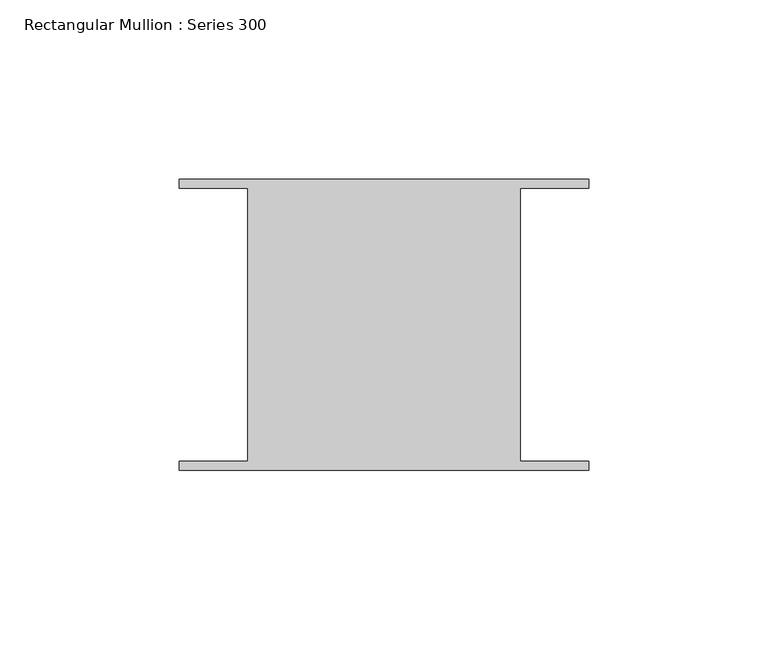
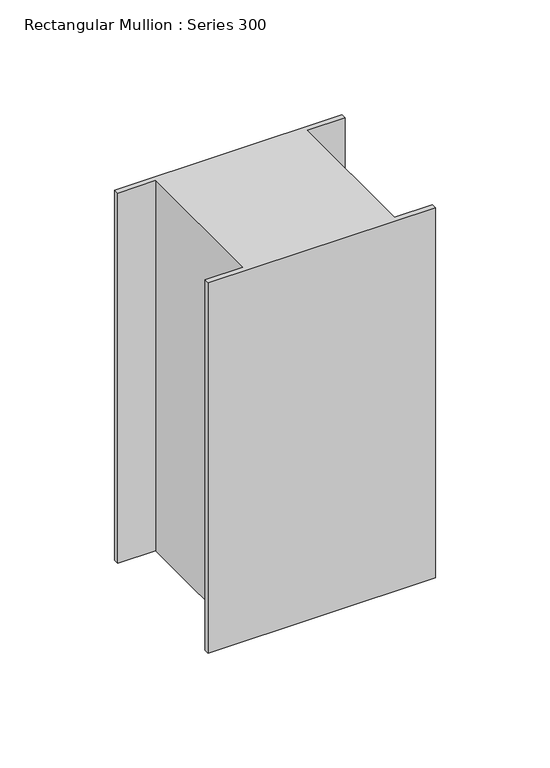
"""IFC4 building model written with IfcOpenShell, lengths in millimetres: member geometry, Rectangular Mullion : Series 300."""

from ifc_helpers import new_model, si_unit, frame, origin, place, context, project, spatial, polyline, outline, extrude, source, transform, mapped, element, save


def rectangular_mullion_series_300_6074a130(model_context):
    return source(origin(), model_context, "Body", "SweptSolid", [
        extrude(outline(polyline([(-57.15, 38.3180241), (-57.15, 40.8591073), (57.15, 40.8591073), (57.15, 38.2877188), (37.993673, 38.2877188), (37.993673, -37.9129276), (57.15, -37.9129276), (57.15, -40.4246411), (-57.15, -40.4246411), (-57.15, -37.8795282), (-38.0017722, -37.8795282), (-38.0017722, 38.3180241), (-57.15, 38.3180241)])), frame((0.0, 0.0, -196.85), z_axis=(0.0, 0.0, 1.0), x_axis=(1.0, 0.0, 0.0)), (0.0, 0.0, 1.0), 196.85),
    ])


if __name__ == "__main__":
    model = new_model("IFC4")
    model_context = context("Model", 3, world=origin())
    ifc_project = project(units=[si_unit("LENGTHUNIT", "METRE", prefix="MILLI")], contexts=[model_context])
    site = spatial("IfcSite", under=ifc_project)
    building = spatial("IfcBuilding", under=site)
    placement = place(None, origin())
    rectangular_mullion_series_300_shape = rectangular_mullion_series_300_6074a130(model_context)
    element("IfcMember", 1, ObjectType="Rectangular Mullion : Series 300", at=placement, inside=building, context=model_context, shape_type="MappedRepresentation", body=[
        mapped(rectangular_mullion_series_300_shape, transform((0.0, 0.0, 0.0), x_axis=(1.0, 0.0, 0.0), y_axis=(0.0, 1.0, 0.0), z_axis=(0.0, 0.0, 1.0))),
    ])
    save(model, "model.ifc")
